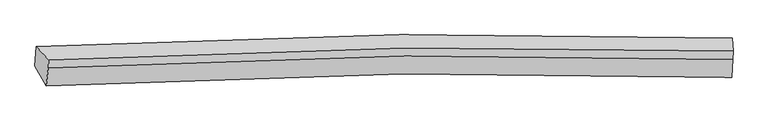
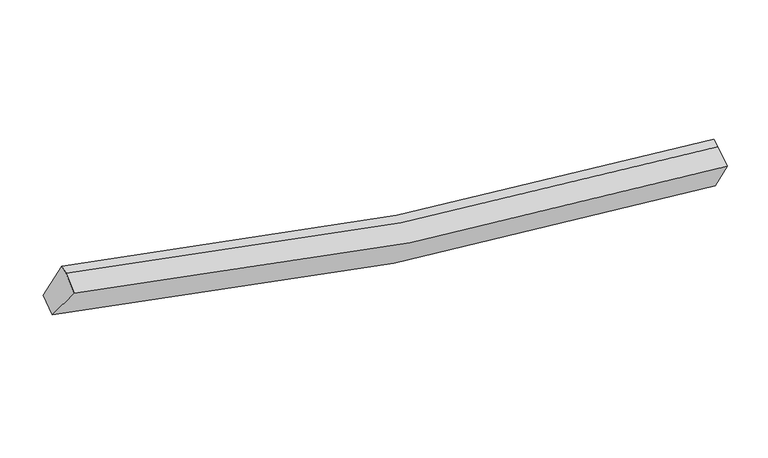
"""IFC4 building model written with IfcOpenShell, lengths in millimetres: proxy geometry."""

from ifc_helpers import new_model, si_unit, frame, origin, place, context, project, spatial, source, transform, mapped, element, save
from ifc_brep_helpers import plane_surface, spline_curve, spline_surface, advanced_brep


def generic_models_f3a74265(model_context):
    return source(origin(), model_context, "Body", "AdvancedBrep", [
        advanced_brep(
        [(-5706.300534, -2542.3320933, 4297.2953463), (-5906.7008732, -2188.6771989, 3737.2309811), (6442.5846722, -2032.0616158, 1837.8600214), (6451.4874423, -2388.9419492, 2430.7017725), (-5670.2530089, -2220.7230323, 4480.033377), (6467.7475131, -2067.666173, 2616.8266922), (-5663.9893338, -2074.482629, 4531.018775), (6474.0111882, -1921.4257697, 2667.8120902), (-5880.007648, -1843.5956836, 3895.3086946), (6458.6941955, -1687.1583643, 1997.7492779)],
        [
            (0, 1),
            (1, 2, spline_curve(3, [(-5906.7008732, -2188.6771989, 3737.2309811), (-3777.855719351, -2066.154763468, 3136.972652783), (-1630.820599901, -1993.605864071, 2677.308509865), (2488.97513959, -1950.651489976, 2070.210863312), (4458.368535418, -1970.995195434, 1896.751353581), (6442.5846722, -2032.0616158, 1837.8600214)], [4, 2, 4], [0.0, 21.431904023475532, 40.77870125034549])),
            (2, 3),
            (3, 0, spline_curve(3, [(6451.4874423, -2388.9419492, 2430.7017725), (4489.115716227, -2328.930030532, 2489.93407457), (2545.570906382, -2308.898533983, 2661.113526959), (-1511.301922838, -2350.946385315, 3257.880786682), (-3620.353104901, -2422.107930242, 3708.8991918), (-5706.300534, -2542.3320933, 4297.2953463)], [4, 2, 4], [0.0, 19.34679722686996, 40.77870125034549])),
            (4, 0),
            (3, 5),
            (5, 4, spline_curve(3, [(6467.7475131, -2067.666173, 2616.8266922), (4507.632971393, -2007.76321607, 2676.094226724), (2566.759097202, -1987.763980118, 2847.038080633), (-1483.611904585, -2029.718160366, 3442.737901033), (-3588.738204347, -2100.736349801, 3892.862942008), (-5670.2530089, -2220.7230323, 4480.033377)], [4, 2, 4], [0.0, 19.179475186822415, 40.42602398786709])),
            (6, 4),
            (5, 7),
            (7, 6, spline_curve(3, [(6474.0111882, -1921.4257697, 2667.8120902), (4513.896646522, -1861.522812769, 2727.079624544), (2573.022771955, -1841.52357685, 2898.023478934), (-1477.348228889, -1883.47775682, 3493.723298699), (-3582.47452913, -1954.495946216, 3943.848340055), (-5663.9893338, -2074.482629, 4531.018775)], [4, 2, 4], [0.0, 19.163805003281755, 40.392994762117254])),
            (8, 6),
            (7, 9),
            (9, 8, spline_curve(3, [(6458.6941955, -1687.1583643, 1997.7492779), (4476.548184616, -1628.25168304, 2062.58102726), (2509.036863661, -1609.029688803, 2239.026700603), (-1607.18825615, -1652.160445693, 2846.191605441), (-3752.577549595, -1723.528213677, 3302.265737596), (-5880.007648, -1843.5956836, 3895.3086946)], [4, 2, 4], [0.0, 19.321558896400354, 40.7255045208709])),
            (1, 8),
            (9, 2),
        ],
        [
            spline_surface(3, 3, [[(-5706.300534, -2542.3320933, 4297.2953463), (-3620.353104932, -2422.107930037, 3708.899192018), (-1511.301922844, -2350.946385293, 3257.880786635), (2545.570906388, -2308.898534002, 2661.113527002), (4489.115716441, -2328.930030701, 2489.934074462), (6451.4874423, -2388.9419492, 2430.7017725)], [(-5773.100647079, -2424.447128488, 4110.607224562), (-3672.853976433, -2303.456874496, 3518.257012271), (-1551.141481858, -2231.832878142, 3064.356694337), (2526.705650812, -2189.482852714, 2464.145972495), (4478.866656063, -2209.618418913, 2292.206500744), (6448.519852274, -2269.981838062, 2233.087855476)], [(-5839.900760121, -2306.562163712, 3923.919102838), (-3725.354847896, -2184.805818991, 3327.614832536), (-1590.981040917, -2112.719371016, 2870.832602009), (2507.840395192, -2070.06717145, 2267.178417958), (4468.617595662, -2090.306807139, 2094.478926998), (6445.552262226, -2151.021726938, 2035.473938424)], [(-5906.7008732, -2188.6771989, 3737.2309811), (-3777.855719397, -2066.154763451, 3136.972652789), (-1630.820599931, -1993.605863866, 2677.30850971), (2488.975139617, -1950.651490161, 2070.210863451), (4458.368535284, -1970.995195352, 1896.75135328), (6442.5846722, -2032.0616158, 1837.8600214)]], [4, 4], [4, 2, 4], [0.0, 2.2700926843069946], [0.0, 21.431904023475532, 40.77870125034549]),
            spline_surface(3, 3, [[(-5670.2530089, -2220.7230323, 4480.033377), (-3588.738204062, -2100.736349627, 3892.862941806), (-1483.611904427, -2029.718160383, 3442.737900939), (2566.75909706, -1987.763980103, 2847.038080718), (4507.632971423, -2007.763216244, 2676.09422662), (6467.7475131, -2067.666173, 2616.8266922)], [(-5682.268850569, -2327.926052628, 4419.120700127), (-3599.27650432, -2207.860209758, 3831.541691904), (-1492.841910578, -2136.794235364, 3381.118862856), (2559.696366824, -2094.808831414, 2785.063229497), (4501.460553105, -2114.818821062, 2614.040842573), (6462.327489509, -2174.758098399, 2554.785052306)], [(-5694.284692331, -2435.129072972, 4358.208023173), (-3609.814804673, -2314.984069906, 3770.220441921), (-1502.071916693, -2243.870310312, 3319.499824718), (2552.633636624, -2201.853682692, 2723.088378222), (4495.288134759, -2221.874425882, 2551.987458509), (6456.907465891, -2281.850023801, 2492.743412394)], [(-5706.300534, -2542.3320933, 4297.2953463), (-3620.353104932, -2422.107930037, 3708.899192018), (-1511.301922844, -2350.946385293, 3257.880786635), (2545.570906388, -2308.898534002, 2661.113527002), (4489.115716441, -2328.930030701, 2489.934074462), (6451.4874423, -2388.9419492, 2430.7017725)]], [4, 4], [4, 2, 4], [0.0, 1.2193229519727458], [0.0, 21.246548801044675, 40.42602398786709]),
            spline_surface(3, 3, [[(-5663.9893338, -2074.482629, 4531.018775), (-3582.474528962, -1954.495946327, 3943.848339806), (-1477.348229227, -1883.477756983, 3493.723298939), (2573.02277226, -1841.523576703, 2898.023478718), (4513.896646523, -1861.522812944, 2727.07962462), (6474.0111882, -1921.4257697, 2667.8120902)], [(-5666.07722552, -2123.229430105, 4514.023642326), (-3584.562420682, -2003.242747432, 3926.853207132), (-1479.436120948, -1932.224558088, 3476.728166266), (2570.93488054, -1890.270377808, 2881.028346044), (4511.808754803, -1910.26961405, 2710.084491946), (6471.92329648, -1970.172570805, 2650.816957526)], [(-5668.16511718, -2171.976231195, 4497.028509674), (-3586.650312341, -2051.989548521, 3909.85807448), (-1481.524012707, -1980.971359277, 3459.733033613), (2568.846988781, -1939.017178997, 2864.033213391), (4509.720863143, -1959.016415139, 2693.089359293), (6469.83540482, -2018.919371895, 2633.821824874)], [(-5670.2530089, -2220.7230323, 4480.033377), (-3588.738204062, -2100.736349627, 3892.862941806), (-1483.611904427, -2029.718160383, 3442.737900939), (2566.75909706, -1987.763980103, 2847.038080718), (4507.632971423, -2007.763216244, 2676.09422662), (6467.7475131, -2067.666173, 2616.8266922)]], [4, 4], [4, 2, 4], [0.0, 0.5085301837270333], [0.0, 21.2291897588355, 40.392994762117254]),
            spline_surface(3, 3, [[(-5880.007648, -1843.5956836, 3895.3086946), (-3752.577549617, -1723.5282135, 3302.265737444), (-1607.188256225, -1652.160445915, 2846.191605475), (2509.036863729, -1609.029688603, 2239.026700572), (4476.548184823, -1628.251683058, 2062.58102696), (6458.6941955, -1687.1583643, 1997.7492779)], [(-5808.001543271, -1920.557998755, 4107.212054741), (-3695.876542736, -1800.517457797, 3516.126604905), (-1563.908247251, -1729.266216289, 3062.035503286), (2530.365499881, -1686.52765132, 2458.692293277), (4488.997672047, -1706.008726362, 2284.080559529), (6463.799859724, -1765.247499441, 2221.103548683)], [(-5735.995438529, -1997.520313845, 4319.115414859), (-3639.175535843, -1877.50670203, 3729.987472345), (-1520.628238202, -1806.371986609, 3277.879401129), (2551.694136108, -1764.025613985, 2678.357886013), (4501.447159299, -1783.765769641, 2505.58009205), (6468.905523976, -1843.336634559, 2444.457819417)], [(-5663.9893338, -2074.482629, 4531.018775), (-3582.474528962, -1954.495946327, 3943.848339806), (-1477.348229227, -1883.477756983, 3493.723298939), (2573.02277226, -1841.523576703, 2898.023478718), (4513.896646523, -1861.522812944, 2727.07962462), (6474.0111882, -1921.4257697, 2667.8120902)]], [4, 4], [4, 2, 4], [0.0, 2.2961347716037626], [0.0, 21.403945624470545, 40.7255045208709]),
            spline_surface(3, 3, [[(-5906.7008732, -2188.6771989, 3737.2309811), (-3777.855719397, -2066.154763451, 3136.972652789), (-1630.820599931, -1993.605863866, 2677.30850971), (2488.975139617, -1950.651490161, 2070.210863451), (4458.368535284, -1970.995195352, 1896.75135328), (6442.5846722, -2032.0616158, 1837.8600214)], [(-5897.803131461, -2073.650027124, 3789.923552244), (-3769.429662798, -1951.945913458, 3192.070347651), (-1622.94315202, -1879.790724556, 2733.602874954), (2495.662380996, -1836.777556316, 2126.482809147), (4464.428418477, -1856.747357912, 1952.02791115), (6447.954513312, -1917.093865291, 1891.15644021)], [(-5888.905389739, -1958.622855376, 3842.616123456), (-3761.003606216, -1837.737063492, 3247.168042582), (-1615.065704136, -1765.975585225, 2789.897240231), (2502.349622349, -1722.903622448, 2182.754754876), (4470.488301631, -1742.499520498, 2007.30446909), (6453.324354388, -1802.126114809, 1944.45285909)], [(-5880.007648, -1843.5956836, 3895.3086946), (-3752.577549617, -1723.5282135, 3302.265737444), (-1607.188256225, -1652.160445915, 2846.191605475), (2509.036863729, -1609.029688603, 2239.026700572), (4476.548184823, -1628.251683058, 2062.58102696), (6458.6941955, -1687.1583643, 1997.7492779)]], [4, 4], [4, 2, 4], [0.0, 1.2520308669988198], [0.0, 21.589299972803847, 41.078180120195015]),
            plane_surface(frame((6458.9050023, -2019.4507744, 2310.1899708), z_axis=(0.9989502302034766, -0.031041461390410304, -0.03368776114806103), x_axis=(-0.040410807489225264, -0.9434864730086111, -0.3289380517481067))),
            plane_surface(frame((-5765.4502796, -2173.9621274, 4188.1774348), z_axis=(-0.9517343149971993, -0.06389730384794279, 0.3001981482584058), x_axis=(0.28958371913056286, -0.5110405501759923, 0.8093076211740073))),
        ],
        [
            (0, [[1, 2, 3, 4]]),
            (1, [[5, -4, 6, 7]]),
            (2, [[8, -7, 9, 10]]),
            (3, [[11, -10, 12, 13]]),
            (4, [[14, -13, 15, -2]]),
            (5, [[-9, -6, -3, -15, -12]]),
            (6, [[-1, -5, -8, -11, -14]]),
        ],
    ),
    ])


if __name__ == "__main__":
    model = new_model("IFC4")
    model_context = context("Model", 3, world=origin())
    ifc_project = project(units=[si_unit("LENGTHUNIT", "METRE", prefix="MILLI")], contexts=[model_context])
    site = spatial("IfcSite", under=ifc_project)
    building = spatial("IfcBuilding", under=site)
    placement = place(None, origin())
    generic_models_shape = generic_models_f3a74265(model_context)
    element("IfcBuildingElementProxy", 1, Name="Generic Models", at=placement, inside=building, context=model_context, shape_type="MappedRepresentation", body=[
        mapped(generic_models_shape, transform((0.0, 0.0, 0.0), x_axis=(1.0, 0.0, 0.0), y_axis=(0.0, 1.0, 0.0), z_axis=(0.0, 0.0, 1.0))),
    ])
    save(model, "model.ifc")
